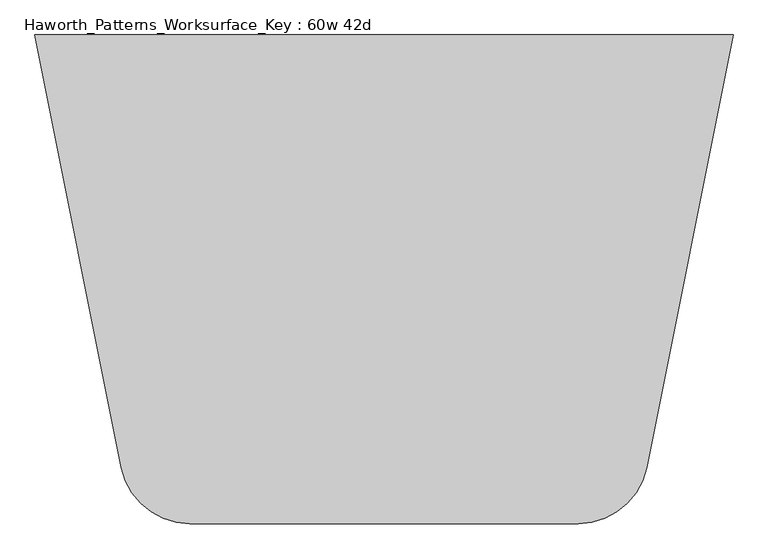
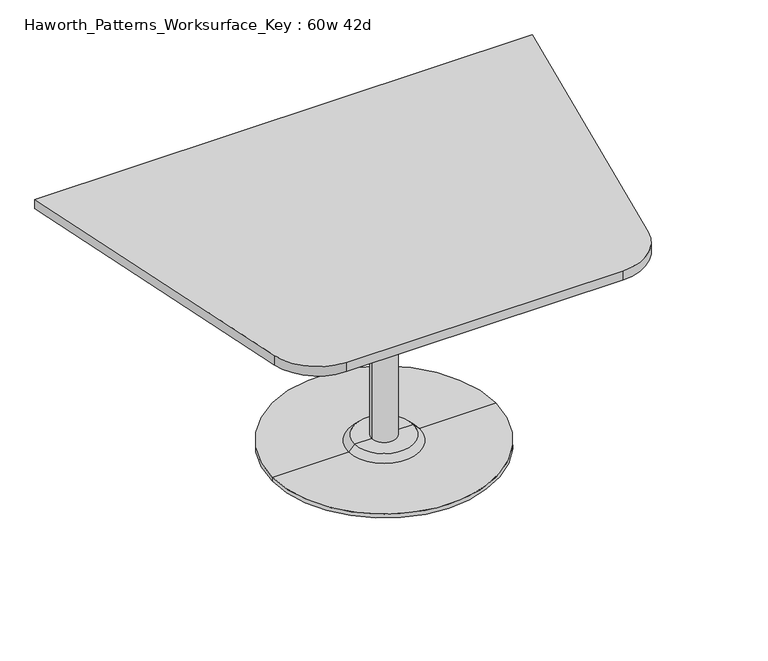
"""IFC4 building model written with IfcOpenShell, lengths in millimetres: furniture geometry, Haworth_Patterns_Worksurface_Key : 60w 42d."""

from ifc_helpers import new_model, si_unit, point, frame, frame_2d, origin, place, context, project, spatial, polyline, circle_curve, trimmed, segment, composite_curve, outline, extrude, source, transform, mapped, element, save
from ifc_brep_helpers import plane_surface, cylinder_surface, revolved_surface, advanced_brep


def haworth_patterns_worksurface_key_60w_42d_719d9a5f(model_context):
    return source(origin(), model_context, "Body", "SolidModel", [
        advanced_brep(
        [(38.1, 139.7, 706.4375), (-38.1, 139.7, 706.4375), (0.0, 139.7, 706.4375), (38.1, 139.7, 31.75), (-38.1, 139.7, 31.75), (89.723978, 139.7, 31.75), (-89.723978, 139.7, 31.75), (342.9, 139.7, 0.0), (-342.9, 139.7, 0.0), (-342.9, 139.7, 12.7), (342.9, 139.7, 12.7), (0.0, 139.7, 0.0), (108.773978, 139.7, 12.7), (-108.773978, 139.7, 12.7)],
        [
            (0, 1, circle_curve(frame((0.0, 139.7, 706.4375), z_axis=(0.0, 0.0, 1.0), x_axis=(-1.0, 0.0, 0.0)), 38.1)),
            (1, 2),
            (2, 0),
            (1, 0, circle_curve(frame((0.0, 139.7, 706.4375), z_axis=(0.0, 0.0, 1.0), x_axis=(-1.0, 0.0, 0.0)), 38.1)),
            (3, 4, circle_curve(frame((0.0, 139.7, 31.75), z_axis=(0.0, 0.0, 1.0), x_axis=(-1.0, 0.0, 0.0)), 38.1)),
            (4, 1),
            (0, 3),
            (4, 3, circle_curve(frame((0.0, 139.7, 31.75), z_axis=(0.0, 0.0, 1.0), x_axis=(-1.0, 0.0, 0.0)), 38.1)),
            (5, 6, circle_curve(frame((0.0, 139.7, 31.75), z_axis=(0.0, 0.0, 1.0), x_axis=(-1.0, 0.0, 0.0)), 89.723978)),
            (6, 4),
            (3, 5),
            (6, 5, circle_curve(frame((0.0, 139.7, 31.75), z_axis=(0.0, 0.0, 1.0), x_axis=(-1.0, 0.0, 0.0)), 89.723978)),
            (7, 8, circle_curve(frame((0.0, 139.7, 0.0), z_axis=(0.0, 0.0, 1.0), x_axis=(-1.0, 0.0, 0.0)), 342.9)),
            (8, 9),
            (9, 10, circle_curve(frame((0.0, 139.7, 12.7), z_axis=(0.0, 0.0, -1.0), x_axis=(-1.0, 0.0, 0.0)), 342.9)),
            (10, 7),
            (8, 7, circle_curve(frame((0.0, 139.7, 0.0), z_axis=(0.0, 0.0, 1.0), x_axis=(-1.0, 0.0, 0.0)), 342.9)),
            (10, 9, circle_curve(frame((0.0, 139.7, 12.7), z_axis=(0.0, 0.0, -1.0), x_axis=(-1.0, 0.0, 0.0)), 342.9)),
            (11, 8),
            (7, 11),
            (12, 13, circle_curve(frame((0.0, 139.7, 12.7), z_axis=(0.0, 0.0, 1.0), x_axis=(-1.0, 0.0, 0.0)), 108.773978)),
            (13, 6),
            (5, 12),
            (13, 12, circle_curve(frame((0.0, 139.7, 12.7), z_axis=(0.0, 0.0, 1.0), x_axis=(-1.0, 0.0, 0.0)), 108.773978)),
            (9, 13),
            (12, 10),
        ],
        [
            plane_surface(frame((0.0, 139.7, 706.4375), z_axis=(0.0, 0.0, 1.0), x_axis=(-1.0, 0.0, 0.0))),
            cylinder_surface(frame((0.0, 139.7, 889.623257), z_axis=(0.0, 0.0, -1.0), x_axis=(-1.0, 0.0, 0.0)), 38.1),
            plane_surface(frame((0.0, 139.7, 31.75), z_axis=(0.0, 0.0, 1.0), x_axis=(-1.0, 0.0, 0.0))),
            cylinder_surface(frame((0.0, 139.7, 889.623257), z_axis=(0.0, 0.0, -1.0), x_axis=(-1.0, 0.0, 0.0)), 342.9),
            plane_surface(frame((0.0, 139.7, 0.0), z_axis=(0.0, 0.0, -1.0), x_axis=(-1.0, 0.0, 0.0))),
            revolved_surface(polyline([(-89.723978, 139.7, 31.75), (-108.773978, 139.7, 12.7)]), (0.0, 139.7, 889.623257), (0.0, 0.0, -1.0)),
            plane_surface(frame((0.0, 139.7, 12.7), z_axis=(0.0, 0.0, 1.0), x_axis=(-1.0, 0.0, 0.0))),
        ],
        [
            (0, [[1, 2, 3]]),
            (0, [[4, -3, -2]]),
            (1, [[5, 6, -1, 7]]),
            (1, [[8, -7, -4, -6]]),
            (2, [[9, 10, -5, 11]]),
            (2, [[12, -11, -8, -10]]),
            (3, [[13, 14, 15, 16]]),
            (3, [[17, -16, 18, -14]]),
            (4, [[19, -13, 20]]),
            (4, [[-20, -17, -19]]),
            (5, [[21, 22, -9, 23]]),
            (5, [[24, -23, -12, -22]]),
            (6, [[-15, 25, -21, 26]]),
            (6, [[-18, -26, -24, -25]]),
        ],
    ),
        extrude(outline(composite_curve([segment(polyline([(762.0, 673.1), (573.1423802, -271.188099)]), True, "CONTINUOUS"), segment(trimmed(circle_curve(frame_2d((423.7018852, -241.3)), 152.4), [point((573.1423802, -271.188099))], [point((423.7018852, -393.7))], False, "CARTESIAN"), True, "CONTINUOUS"), segment(polyline([(423.7018852, -393.7), (-423.7018852, -393.7)]), True, "CONTINUOUS"), segment(trimmed(circle_curve(frame_2d((-423.7018852, -241.3)), 152.4), [point((-423.7018852, -393.7))], [point((-573.1423802, -271.188099))], False, "CARTESIAN"), True, "CONTINUOUS"), segment(polyline([(-573.1423802, -271.188099), (-762.0, 673.1), (762.0, 673.1)]), True, "CONTINUOUS")], self_intersect=False)), frame((0.0, 0.0, 706.4375), z_axis=(0.0, 0.0, 1.0), x_axis=(1.0, 0.0, 0.0)), (0.0, 0.0, 1.0), 30.1625),
    ])


if __name__ == "__main__":
    model = new_model("IFC4")
    model_context = context("Model", 3, world=origin())
    ifc_project = project(units=[si_unit("LENGTHUNIT", "METRE", prefix="MILLI")], contexts=[model_context])
    site = spatial("IfcSite", under=ifc_project)
    building = spatial("IfcBuilding", under=site)
    placement = place(None, origin())
    haworth_patterns_worksurface_key_60w_42d_shape = haworth_patterns_worksurface_key_60w_42d_719d9a5f(model_context)
    element("IfcFurniture", 1, ObjectType="Haworth_Patterns_Worksurface_Key : 60w 42d", at=placement, inside=building, context=model_context, shape_type="MappedRepresentation", body=[
        mapped(haworth_patterns_worksurface_key_60w_42d_shape, transform((0.0, 0.0, 0.0), x_axis=(1.0, 0.0, 0.0), y_axis=(0.0, 1.0, 0.0), z_axis=(0.0, 0.0, 1.0))),
    ])
    save(model, "model.ifc")
